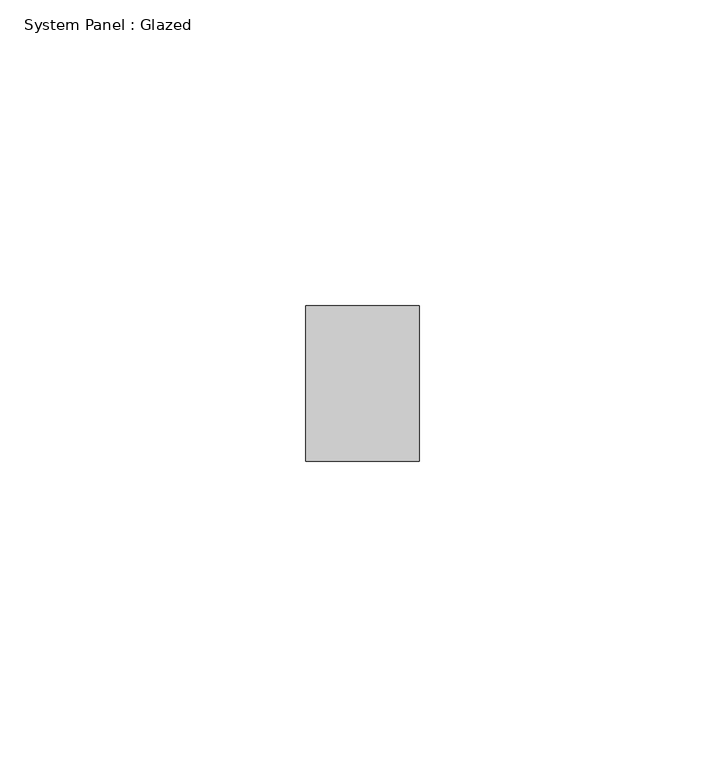
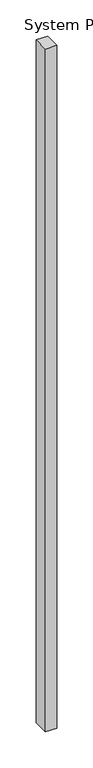
"""IFC4 building model written with IfcOpenShell, lengths in millimetres: plate geometry, System Panel : Glazed."""

import ifcopenshell
import ifcopenshell.guid

model = None  # the IFC model being written
_history = None  # IfcOwnerHistory: only IFC2X3 demands one
_inside = {}  # id of a spatial element -> (the spatial element, [elements in it])
_under = {}  # id of a project, library or spatial element -> (it, [spatial elements below it])
_declared = {}  # id of a project -> (the project, [libraries it declares])
_typed = {}  # id of a type object -> (the type object, [elements of that type])
_made_of = {}  # id of a material, layer set ... -> (it, [elements and type objects made of it])


def new_model(schema):
    """Start an empty IFC model of exactly this schema.

    Asked for "IFC4X3", IfcOpenShell would pick the latest addendum, in which some entities
    have other attributes; the version numbers below select the first issue.
    IFC2X3 requires an IfcOwnerHistory on every rooted entity: one is made here for all.
    """
    global model, _history
    if schema == "IFC4X3":
        model = ifcopenshell.file(schema_version=(4, 3, 0, 0))
    else:
        model = ifcopenshell.file(schema=schema)
    _inside.clear()
    _under.clear()
    _declared.clear()
    _typed.clear()
    _made_of.clear()
    _history = None
    if model.schema == "IFC2X3":
        org = make("IfcOrganization", Name="unknown")
        user = make(
            "IfcPersonAndOrganization",
            ThePerson=make("IfcPerson", FamilyName="unknown"),
            TheOrganization=org,
        )
        app = make(
            "IfcApplication",
            ApplicationDeveloper=org,
            Version="unknown",
            ApplicationFullName="unknown",
            ApplicationIdentifier="unknown",
        )
        _history = make(
            "IfcOwnerHistory",
            OwningUser=user,
            OwningApplication=app,
            ChangeAction="ADDED",
            CreationDate=0,
        )
    return model


def make(cls, **values):
    """One entity of the class cls with the attributes given. An attribute that is None is left unset."""
    return model.create_entity(
        cls, **{name: value for name, value in values.items() if value is not None}
    )


def rooted(cls, **values):
    """An entity with a GlobalId (a new one), such as an element, a storey or a relation."""
    return make(cls, GlobalId=ifcopenshell.guid.new(), OwnerHistory=_history, **values)


def si_unit(unit_type, name, prefix=None):
    """IfcSIUnit, for example si_unit("LENGTHUNIT", "METRE", prefix="MILLI")."""
    return make("IfcSIUnit", UnitType=unit_type, Prefix=prefix, Name=name)


def assignment(units):
    """IfcUnitAssignment: the units of a project."""
    return None if units is None else make("IfcUnitAssignment", Units=units)


def point(xyz):
    """IfcCartesianPoint."""
    return None if xyz is None else make("IfcCartesianPoint", Coordinates=xyz)


def direction(xyz):
    """IfcDirection."""
    return None if xyz is None else make("IfcDirection", DirectionRatios=xyz)


def frame(location, z_axis=None, x_axis=None):
    """IfcAxis2Placement3D, a coordinate frame: its origin and axes. An axis left out is left unset."""
    return make(
        "IfcAxis2Placement3D",
        Location=point(location),
        Axis=direction(z_axis),
        RefDirection=direction(x_axis),
    )


def origin():
    """The frame at (0, 0, 0) with its axes left unset."""
    return frame((0.0, 0.0, 0.0))


def origin_with_axes():
    """The frame at (0, 0, 0) with the z axis (0, 0, 1) and the x axis (1, 0, 0) written out."""
    return frame((0.0, 0.0, 0.0), z_axis=(0.0, 0.0, 1.0), x_axis=(1.0, 0.0, 0.0))


def place(relative_to, where):
    """IfcLocalPlacement: puts the frame where relative to a parent placement (None: the world)."""
    return make(
        "IfcLocalPlacement", PlacementRelTo=relative_to, RelativePlacement=where
    )


def context(
    kind, dimensions, precision=None, world=None, true_north=None, identifier=None
):
    """IfcGeometricRepresentationContext, for example the 3D "Model" context."""
    return make(
        "IfcGeometricRepresentationContext",
        ContextIdentifier=identifier,
        ContextType=kind,
        CoordinateSpaceDimension=dimensions,
        Precision=precision,
        WorldCoordinateSystem=world,
        TrueNorth=true_north,
    )


def project(units=None, contexts=None):
    """IfcProject with its units and contexts."""
    return rooted(
        "IfcProject",
        Name="project",
        RepresentationContexts=contexts,
        UnitsInContext=assignment(units),
    )


def spatial(cls, under=None, at=None, **own):
    """A site, building, storey or space (cls), placed at a placement, below another one or the project."""
    s = rooted(cls, ObjectPlacement=at, **own)
    if under is not None:
        _under.setdefault(under.id(), (under, []))[1].append(s)
    return s


def polyline(points):
    """IfcPolyline through the points."""
    return make("IfcPolyline", Points=[point(p) for p in points])


def outline(outer, holes=None, kind="AREA"):
    """IfcArbitraryClosedProfileDef: a profile drawn as a closed curve; with holes, ...WithVoids."""
    if holes is None:
        return make("IfcArbitraryClosedProfileDef", ProfileType=kind, OuterCurve=outer)
    return make(
        "IfcArbitraryProfileDefWithVoids",
        ProfileType=kind,
        OuterCurve=outer,
        InnerCurves=holes,
    )


def extrude(swept, where, along, depth):
    """IfcExtrudedAreaSolid: the profile swept, set in the frame where, extruded along a direction by depth."""
    return make(
        "IfcExtrudedAreaSolid",
        SweptArea=swept,
        Position=where,
        ExtrudedDirection=direction(along),
        Depth=depth,
    )


def shape(context_of_items, identifier, shape_type, items):
    """IfcShapeRepresentation: the items that make up one representation, for example the "Body"."""
    return make(
        "IfcShapeRepresentation",
        ContextOfItems=context_of_items,
        RepresentationIdentifier=identifier,
        RepresentationType=shape_type,
        Items=items,
    )


def source(mapping_origin, context_of_items, identifier, shape_type, items):
    """IfcRepresentationMap: a shape defined once, which mapped items show again and again."""
    return make(
        "IfcRepresentationMap",
        MappingOrigin=mapping_origin,
        MappedRepresentation=shape(context_of_items, identifier, shape_type, items),
    )


def transform(
    local_origin,
    x_axis=None,
    y_axis=None,
    z_axis=None,
    scale=None,
    scale2=None,
    scale3=None,
    uniform=True,
):
    """IfcCartesianTransformationOperator3D, or its non-uniform kind. x_axis, y_axis, z_axis: its Axis1, 2, 3."""
    if uniform:
        return make(
            "IfcCartesianTransformationOperator3D",
            Axis1=direction(x_axis),
            Axis2=direction(y_axis),
            LocalOrigin=point(local_origin),
            Scale=scale,
            Axis3=direction(z_axis),
        )
    return make(
        "IfcCartesianTransformationOperator3DnonUniform",
        Axis1=direction(x_axis),
        Axis2=direction(y_axis),
        LocalOrigin=point(local_origin),
        Scale=scale,
        Axis3=direction(z_axis),
        Scale2=scale2,
        Scale3=scale3,
    )


def mapped(mapping_source, mapping_target):
    """IfcMappedItem: shows the shape of a source again, moved by a transform."""
    return make(
        "IfcMappedItem", MappingSource=mapping_source, MappingTarget=mapping_target
    )


def made_of(thing, what):
    """Note that an element or type object is made of a material, layer set ...; save() writes the relation."""
    if what is not None:
        _made_of.setdefault(what.id(), (what, []))[1].append(thing)
    return thing


def element(
    cls,
    number,
    at=None,
    inside=None,
    cuts=None,
    type_object=None,
    material=None,
    context=None,
    identifier="Body",
    shape_type=None,
    held_by="IfcProductDefinitionShape",
    body=None,
    shapes=None,
    **own,
):
    """One element of the class cls, such as IfcWall. Its Tag is "e" and its number.

    at: its placement. inside: the storey or other place that contains it. cuts: it is an
    opening in that element (IfcRelVoidsElement). A single representation is given by context,
    identifier, shape_type and body (its items); several are given by shapes. held_by: the class
    of the entity that holds the representations. save() writes the other relations.
    """
    e = rooted(cls, Tag="e%d" % number, ObjectPlacement=at, **own)
    if body is not None:
        shapes = [shape(context, identifier, shape_type, body)]
    if shapes is not None:
        e.Representation = make(held_by, Representations=shapes)
    if inside is not None:
        _inside.setdefault(inside.id(), (inside, []))[1].append(e)
    if cuts is not None:
        rooted(
            "IfcRelVoidsElement", RelatingBuildingElement=cuts, RelatedOpeningElement=e
        )
    if type_object is not None:
        _typed.setdefault(type_object.id(), (type_object, []))[1].append(e)
    return made_of(e, material)


def aggregate(whole, parts):
    """IfcRelAggregates: a whole, such as a stair, and the parts it consists of."""
    return rooted("IfcRelAggregates", RelatingObject=whole, RelatedObjects=parts)


def save(model, path):
    """Write the relations noted so far, then the file.

    IfcRelAggregates (storeys below a building ...), IfcRelContainedInSpatialStructure (elements
    in a storey), IfcRelDefinesByType, IfcRelAssociatesMaterial and IfcRelDeclares: one each for
    every whole, place, type object, material and project.
    """
    for whole, parts in _under.values():
        aggregate(whole, parts)
    for where, things in _inside.values():
        rooted(
            "IfcRelContainedInSpatialStructure",
            RelatedElements=things,
            RelatingStructure=where,
        )
    for kind, things in _typed.values():
        rooted("IfcRelDefinesByType", RelatedObjects=things, RelatingType=kind)
    for what, things in _made_of.values():
        rooted("IfcRelAssociatesMaterial", RelatedObjects=things, RelatingMaterial=what)
    for by, libraries in _declared.values():
        rooted("IfcRelDeclares", RelatingContext=by, RelatedDefinitions=libraries)
    model.write(path)


def system_panel_glazed_dff3a14c(model_context):
    return source(origin(), model_context, "Body", "SweptSolid", [
        extrude(outline(polyline([(9.2691053, -12.7), (-9.2691053, -12.7), (-9.2691053, 12.7), (9.2691053, 12.7), (9.2691053, -12.7)])), origin_with_axes(), (0.0, 0.0, 1.0), 1154.90625),
    ])


if __name__ == "__main__":
    model = new_model("IFC4")
    model_context = context("Model", 3, world=origin())
    ifc_project = project(units=[si_unit("LENGTHUNIT", "METRE", prefix="MILLI")], contexts=[model_context])
    site = spatial("IfcSite", under=ifc_project)
    building = spatial("IfcBuilding", under=site)
    placement = place(None, origin())
    system_panel_glazed_shape = system_panel_glazed_dff3a14c(model_context)
    element("IfcPlate", 1, ObjectType="System Panel : Glazed", at=placement, inside=building, context=model_context, shape_type="MappedRepresentation", body=[
        mapped(system_panel_glazed_shape, transform((0.0, 0.0, 0.0), x_axis=(1.0, 0.0, 0.0), y_axis=(0.0, 1.0, 0.0), z_axis=(0.0, 0.0, 1.0))),
    ])
    save(model, "model.ifc")
